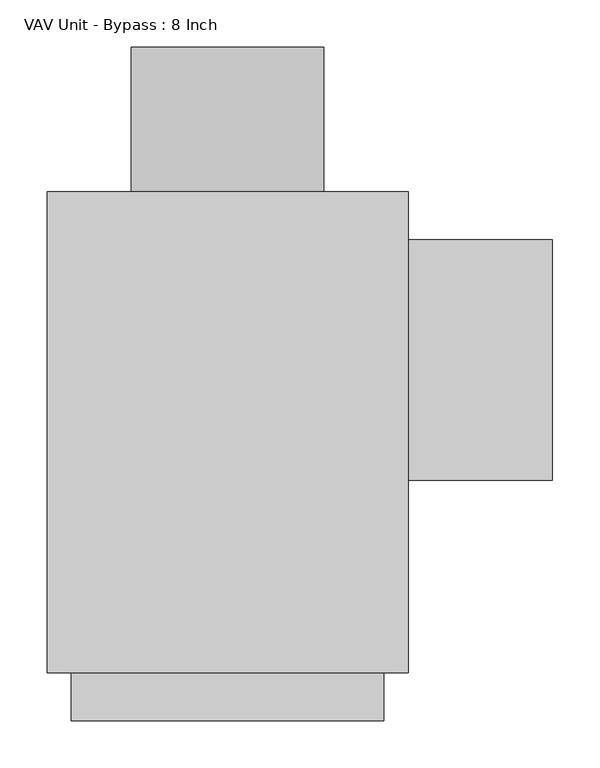
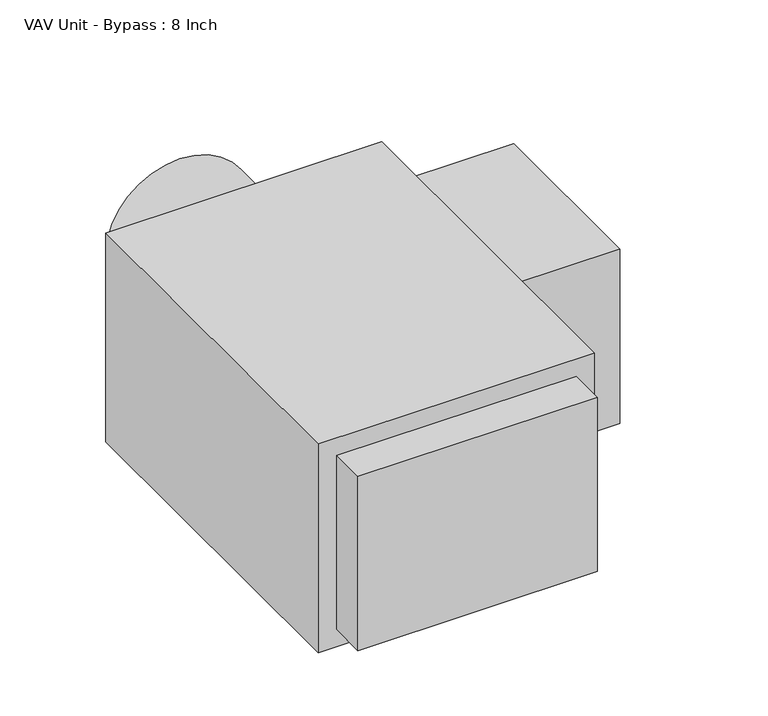
"""IFC4 building model written with IfcOpenShell, lengths in millimetres: proxy geometry, VAV Unit - Bypass : 8 Inch."""

from ifc_helpers import new_model, si_unit, point, frame, origin, origin_2d, place, context, project, spatial, polyline, circle_curve, trimmed, segment, composite_curve, outline, extrude, source, transform, mapped, element, save


def vav_unit_bypass_8_inch_8df25313(model_context):
    return source(origin(), model_context, "Body", "SweptSolid", [
        extrude(outline(polyline([(342.9, 203.2), (342.9, -50.8), (190.5, -50.8), (190.5, 203.2), (342.9, 203.2)])), frame((0.0, 0.0, -127.0), z_axis=(0.0, 0.0, 1.0), x_axis=(1.0, 0.0, 0.0)), (0.0, 0.0, 1.0), 254.0),
        extrude(outline(composite_curve([segment(trimmed(circle_curve(origin_2d(), 101.6), [point((0.0, -101.6))], [point((0.0, 101.6))], False, "CARTESIAN"), True, "CONTINUOUS"), segment(trimmed(circle_curve(origin_2d(), 101.6), [point((0.0, 101.6))], [point((0.0, -101.6))], False, "CARTESIAN"), True, "CONTINUOUS")], self_intersect=False)), frame((0.0, 254.0, 0.0), z_axis=(0.0, 1.0, 0.0), x_axis=(0.0, 0.0, 1.0)), (0.0, 0.0, 1.0), 152.4),
        extrude(outline(polyline([(165.1, -304.8), (-165.1, -304.8), (-165.1, -254.0), (165.1, -254.0), (165.1, -304.8)])), frame((0.0, 0.0, -127.0), z_axis=(0.0, 0.0, 1.0), x_axis=(1.0, 0.0, 0.0)), (0.0, 0.0, 1.0), 254.0),
        extrude(outline(polyline([(190.5, -254.0), (-190.5, -254.0), (-190.5, 254.0), (190.5, 254.0), (190.5, -254.0)])), frame((0.0, 0.0, -152.4), z_axis=(0.0, 0.0, 1.0), x_axis=(1.0, 0.0, 0.0)), (0.0, 0.0, 1.0), 304.8),
    ])


if __name__ == "__main__":
    model = new_model("IFC4")
    model_context = context("Model", 3, world=origin())
    ifc_project = project(units=[si_unit("LENGTHUNIT", "METRE", prefix="MILLI")], contexts=[model_context])
    site = spatial("IfcSite", under=ifc_project)
    building = spatial("IfcBuilding", under=site)
    placement = place(None, origin())
    vav_unit_bypass_8_inch_shape = vav_unit_bypass_8_inch_8df25313(model_context)
    element("IfcBuildingElementProxy", 1, Name="VAV Unit - Bypass : 8 Inch", ObjectType="VAV Unit - Bypass : 8 Inch", at=placement, inside=building, context=model_context, shape_type="MappedRepresentation", body=[
        mapped(vav_unit_bypass_8_inch_shape, transform((0.0, 0.0, 0.0), x_axis=(1.0, 0.0, 0.0), y_axis=(0.0, 1.0, 0.0), z_axis=(0.0, 0.0, 1.0))),
    ])
    save(model, "model.ifc")
